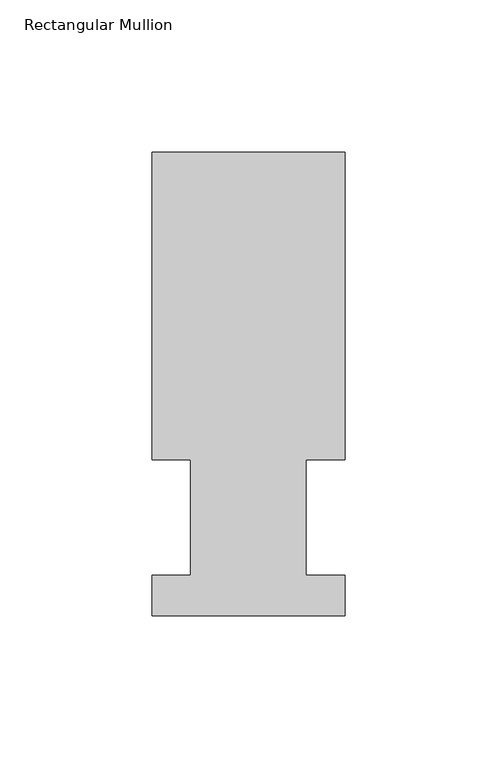
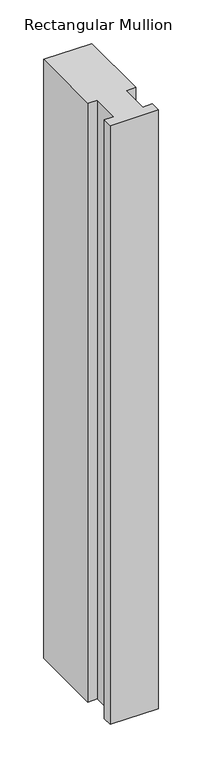
"""IFC4 building model written with IfcOpenShell, lengths in millimetres: member geometry, Rectangular Mullion."""

from ifc_helpers import new_model, si_unit, frame, origin, place, context, project, spatial, polyline, outline, extrude, source, transform, mapped, element, save


def rectangular_mullion_67bbc3e8(model_context):
    return source(origin(), model_context, "Body", "SweptSolid", [
        extrude(outline(polyline([(-31.75, 152.4896937), (31.75, 152.4896937), (31.75, 51.2960938), (19.05, 51.2960938), (19.05, 13.1960938), (31.75, 13.1960938), (31.75, 0.0134938), (-31.75, 0.0134938), (-31.75, 13.1960938), (-19.05, 13.1960938), (-19.05, 51.2960938), (-31.75, 51.2960938), (-31.75, 152.4896937)])), frame((0.0, 0.0, -838.2), z_axis=(0.0, 0.0, 1.0), x_axis=(1.0, 0.0, 0.0)), (0.0, 0.0, 1.0), 838.2),
    ])


if __name__ == "__main__":
    model = new_model("IFC4")
    model_context = context("Model", 3, world=origin())
    ifc_project = project(units=[si_unit("LENGTHUNIT", "METRE", prefix="MILLI")], contexts=[model_context])
    site = spatial("IfcSite", under=ifc_project)
    building = spatial("IfcBuilding", under=site)
    placement = place(None, origin())
    rectangular_mullion_shape = rectangular_mullion_67bbc3e8(model_context)
    element("IfcMember", 1, ObjectType="Rectangular Mullion", at=placement, inside=building, context=model_context, shape_type="MappedRepresentation", body=[
        mapped(rectangular_mullion_shape, transform((0.0, 0.0, 0.0), x_axis=(1.0, 0.0, 0.0), y_axis=(0.0, 1.0, 0.0), z_axis=(0.0, 0.0, 1.0))),
    ])
    save(model, "model.ifc")
